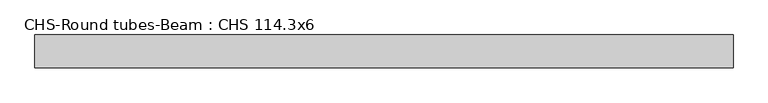
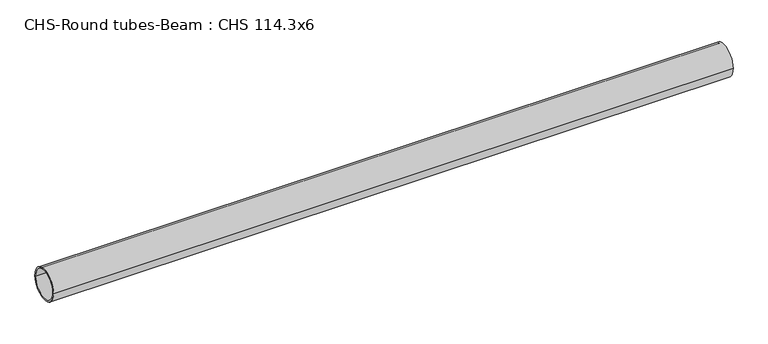
"""IFC4 building model written with IfcOpenShell, lengths in millimetres: beam geometry, CHS-Round tubes-Beam : CHS 114.3x6."""

import ifcopenshell
import ifcopenshell.guid

model = None  # the IFC model being written
_history = None  # IfcOwnerHistory: only IFC2X3 demands one
_inside = {}  # id of a spatial element -> (the spatial element, [elements in it])
_under = {}  # id of a project, library or spatial element -> (it, [spatial elements below it])
_declared = {}  # id of a project -> (the project, [libraries it declares])
_typed = {}  # id of a type object -> (the type object, [elements of that type])
_made_of = {}  # id of a material, layer set ... -> (it, [elements and type objects made of it])


def new_model(schema):
    """Start an empty IFC model of exactly this schema.

    Asked for "IFC4X3", IfcOpenShell would pick the latest addendum, in which some entities
    have other attributes; the version numbers below select the first issue.
    IFC2X3 requires an IfcOwnerHistory on every rooted entity: one is made here for all.
    """
    global model, _history
    if schema == "IFC4X3":
        model = ifcopenshell.file(schema_version=(4, 3, 0, 0))
    else:
        model = ifcopenshell.file(schema=schema)
    _inside.clear()
    _under.clear()
    _declared.clear()
    _typed.clear()
    _made_of.clear()
    _history = None
    if model.schema == "IFC2X3":
        org = make("IfcOrganization", Name="unknown")
        user = make(
            "IfcPersonAndOrganization",
            ThePerson=make("IfcPerson", FamilyName="unknown"),
            TheOrganization=org,
        )
        app = make(
            "IfcApplication",
            ApplicationDeveloper=org,
            Version="unknown",
            ApplicationFullName="unknown",
            ApplicationIdentifier="unknown",
        )
        _history = make(
            "IfcOwnerHistory",
            OwningUser=user,
            OwningApplication=app,
            ChangeAction="ADDED",
            CreationDate=0,
        )
    return model


def make(cls, **values):
    """One entity of the class cls with the attributes given. An attribute that is None is left unset."""
    return model.create_entity(
        cls, **{name: value for name, value in values.items() if value is not None}
    )


def rooted(cls, **values):
    """An entity with a GlobalId (a new one), such as an element, a storey or a relation."""
    return make(cls, GlobalId=ifcopenshell.guid.new(), OwnerHistory=_history, **values)


def si_unit(unit_type, name, prefix=None):
    """IfcSIUnit, for example si_unit("LENGTHUNIT", "METRE", prefix="MILLI")."""
    return make("IfcSIUnit", UnitType=unit_type, Prefix=prefix, Name=name)


def assignment(units):
    """IfcUnitAssignment: the units of a project."""
    return None if units is None else make("IfcUnitAssignment", Units=units)


def point(xyz):
    """IfcCartesianPoint."""
    return None if xyz is None else make("IfcCartesianPoint", Coordinates=xyz)


def direction(xyz):
    """IfcDirection."""
    return None if xyz is None else make("IfcDirection", DirectionRatios=xyz)


def frame(location, z_axis=None, x_axis=None):
    """IfcAxis2Placement3D, a coordinate frame: its origin and axes. An axis left out is left unset."""
    return make(
        "IfcAxis2Placement3D",
        Location=point(location),
        Axis=direction(z_axis),
        RefDirection=direction(x_axis),
    )


def frame_2d(location, x_axis=None):
    """IfcAxis2Placement2D, a coordinate frame in the plane: its origin and x axis."""
    return make(
        "IfcAxis2Placement2D", Location=point(location), RefDirection=direction(x_axis)
    )


def origin():
    """The frame at (0, 0, 0) with its axes left unset."""
    return frame((0.0, 0.0, 0.0))


def origin_2d():
    """The frame at (0, 0) in the plane with its x axis left unset."""
    return frame_2d((0.0, 0.0))


def place(relative_to, where):
    """IfcLocalPlacement: puts the frame where relative to a parent placement (None: the world)."""
    return make(
        "IfcLocalPlacement", PlacementRelTo=relative_to, RelativePlacement=where
    )


def context(
    kind, dimensions, precision=None, world=None, true_north=None, identifier=None
):
    """IfcGeometricRepresentationContext, for example the 3D "Model" context."""
    return make(
        "IfcGeometricRepresentationContext",
        ContextIdentifier=identifier,
        ContextType=kind,
        CoordinateSpaceDimension=dimensions,
        Precision=precision,
        WorldCoordinateSystem=world,
        TrueNorth=true_north,
    )


def project(units=None, contexts=None):
    """IfcProject with its units and contexts."""
    return rooted(
        "IfcProject",
        Name="project",
        RepresentationContexts=contexts,
        UnitsInContext=assignment(units),
    )


def spatial(cls, under=None, at=None, **own):
    """A site, building, storey or space (cls), placed at a placement, below another one or the project."""
    s = rooted(cls, ObjectPlacement=at, **own)
    if under is not None:
        _under.setdefault(under.id(), (under, []))[1].append(s)
    return s


def circle_curve(where, radius):
    """IfcCircle in the frame where."""
    return make("IfcCircle", Position=where, Radius=radius)


def trimmed(basis, trim1, trim2, sense, master):
    """IfcTrimmedCurve: the piece of a basis curve between two trims."""
    return make(
        "IfcTrimmedCurve",
        BasisCurve=basis,
        Trim1=trim1,
        Trim2=trim2,
        SenseAgreement=sense,
        MasterRepresentation=master,
    )


def segment(curve, same_sense, transition):
    """IfcCompositeCurveSegment."""
    return make(
        "IfcCompositeCurveSegment",
        Transition=transition,
        SameSense=same_sense,
        ParentCurve=curve,
    )


def composite_curve(segments, self_intersect=None):
    """IfcCompositeCurve: segments joined end to end."""
    return make("IfcCompositeCurve", Segments=segments, SelfIntersect=self_intersect)


def outline(outer, holes=None, kind="AREA"):
    """IfcArbitraryClosedProfileDef: a profile drawn as a closed curve; with holes, ...WithVoids."""
    if holes is None:
        return make("IfcArbitraryClosedProfileDef", ProfileType=kind, OuterCurve=outer)
    return make(
        "IfcArbitraryProfileDefWithVoids",
        ProfileType=kind,
        OuterCurve=outer,
        InnerCurves=holes,
    )


def extrude(swept, where, along, depth):
    """IfcExtrudedAreaSolid: the profile swept, set in the frame where, extruded along a direction by depth."""
    return make(
        "IfcExtrudedAreaSolid",
        SweptArea=swept,
        Position=where,
        ExtrudedDirection=direction(along),
        Depth=depth,
    )


def shape(context_of_items, identifier, shape_type, items):
    """IfcShapeRepresentation: the items that make up one representation, for example the "Body"."""
    return make(
        "IfcShapeRepresentation",
        ContextOfItems=context_of_items,
        RepresentationIdentifier=identifier,
        RepresentationType=shape_type,
        Items=items,
    )


def source(mapping_origin, context_of_items, identifier, shape_type, items):
    """IfcRepresentationMap: a shape defined once, which mapped items show again and again."""
    return make(
        "IfcRepresentationMap",
        MappingOrigin=mapping_origin,
        MappedRepresentation=shape(context_of_items, identifier, shape_type, items),
    )


def transform(
    local_origin,
    x_axis=None,
    y_axis=None,
    z_axis=None,
    scale=None,
    scale2=None,
    scale3=None,
    uniform=True,
):
    """IfcCartesianTransformationOperator3D, or its non-uniform kind. x_axis, y_axis, z_axis: its Axis1, 2, 3."""
    if uniform:
        return make(
            "IfcCartesianTransformationOperator3D",
            Axis1=direction(x_axis),
            Axis2=direction(y_axis),
            LocalOrigin=point(local_origin),
            Scale=scale,
            Axis3=direction(z_axis),
        )
    return make(
        "IfcCartesianTransformationOperator3DnonUniform",
        Axis1=direction(x_axis),
        Axis2=direction(y_axis),
        LocalOrigin=point(local_origin),
        Scale=scale,
        Axis3=direction(z_axis),
        Scale2=scale2,
        Scale3=scale3,
    )


def mapped(mapping_source, mapping_target):
    """IfcMappedItem: shows the shape of a source again, moved by a transform."""
    return make(
        "IfcMappedItem", MappingSource=mapping_source, MappingTarget=mapping_target
    )


def made_of(thing, what):
    """Note that an element or type object is made of a material, layer set ...; save() writes the relation."""
    if what is not None:
        _made_of.setdefault(what.id(), (what, []))[1].append(thing)
    return thing


def element(
    cls,
    number,
    at=None,
    inside=None,
    cuts=None,
    type_object=None,
    material=None,
    context=None,
    identifier="Body",
    shape_type=None,
    held_by="IfcProductDefinitionShape",
    body=None,
    shapes=None,
    **own,
):
    """One element of the class cls, such as IfcWall. Its Tag is "e" and its number.

    at: its placement. inside: the storey or other place that contains it. cuts: it is an
    opening in that element (IfcRelVoidsElement). A single representation is given by context,
    identifier, shape_type and body (its items); several are given by shapes. held_by: the class
    of the entity that holds the representations. save() writes the other relations.
    """
    e = rooted(cls, Tag="e%d" % number, ObjectPlacement=at, **own)
    if body is not None:
        shapes = [shape(context, identifier, shape_type, body)]
    if shapes is not None:
        e.Representation = make(held_by, Representations=shapes)
    if inside is not None:
        _inside.setdefault(inside.id(), (inside, []))[1].append(e)
    if cuts is not None:
        rooted(
            "IfcRelVoidsElement", RelatingBuildingElement=cuts, RelatedOpeningElement=e
        )
    if type_object is not None:
        _typed.setdefault(type_object.id(), (type_object, []))[1].append(e)
    return made_of(e, material)


def aggregate(whole, parts):
    """IfcRelAggregates: a whole, such as a stair, and the parts it consists of."""
    return rooted("IfcRelAggregates", RelatingObject=whole, RelatedObjects=parts)


def save(model, path):
    """Write the relations noted so far, then the file.

    IfcRelAggregates (storeys below a building ...), IfcRelContainedInSpatialStructure (elements
    in a storey), IfcRelDefinesByType, IfcRelAssociatesMaterial and IfcRelDeclares: one each for
    every whole, place, type object, material and project.
    """
    for whole, parts in _under.values():
        aggregate(whole, parts)
    for where, things in _inside.values():
        rooted(
            "IfcRelContainedInSpatialStructure",
            RelatedElements=things,
            RelatingStructure=where,
        )
    for kind, things in _typed.values():
        rooted("IfcRelDefinesByType", RelatedObjects=things, RelatingType=kind)
    for what, things in _made_of.values():
        rooted("IfcRelAssociatesMaterial", RelatedObjects=things, RelatingMaterial=what)
    for by, libraries in _declared.values():
        rooted("IfcRelDeclares", RelatingContext=by, RelatedDefinitions=libraries)
    model.write(path)


def chs_round_tubes_beam_chs_114_3x6_14d98b06(model_context):
    return source(origin(), model_context, "Body", "SweptSolid", [
        extrude(outline(composite_curve([segment(trimmed(circle_curve(origin_2d(), 57.15), [point((57.15, 0.0))], [point((-57.15, 0.0))], False, "CARTESIAN"), True, "CONTINUOUS"), segment(trimmed(circle_curve(origin_2d(), 57.15), [point((-57.15, 0.0))], [point((57.15, 0.0))], False, "CARTESIAN"), True, "CONTINUOUS")], self_intersect=False), holes=[composite_curve([segment(trimmed(circle_curve(origin_2d(), 51.15), [point((51.15, 0.0))], [point((-51.15, 0.0))], True, "CARTESIAN"), True, "CONTINUOUS"), segment(trimmed(circle_curve(origin_2d(), 51.15), [point((-51.15, 0.0))], [point((51.15, 0.0))], True, "CARTESIAN"), True, "CONTINUOUS")], self_intersect=False)]), frame((-1161.7682168, 0.0, 0.0), z_axis=(1.0, 0.0, 0.0), x_axis=(0.0, 1.0, 0.0)), (0.0, 0.0, 1.0), 2421.9985666),
    ])


if __name__ == "__main__":
    model = new_model("IFC4")
    model_context = context("Model", 3, world=origin())
    ifc_project = project(units=[si_unit("LENGTHUNIT", "METRE", prefix="MILLI")], contexts=[model_context])
    site = spatial("IfcSite", under=ifc_project)
    building = spatial("IfcBuilding", under=site)
    placement = place(None, origin())
    chs_round_tubes_beam_chs_114_3x6_shape = chs_round_tubes_beam_chs_114_3x6_14d98b06(model_context)
    element("IfcBeam", 1, ObjectType="CHS-Round tubes-Beam : CHS 114.3x6", at=placement, inside=building, context=model_context, shape_type="MappedRepresentation", body=[
        mapped(chs_round_tubes_beam_chs_114_3x6_shape, transform((0.0, 0.0, 0.0), x_axis=(1.0, 0.0, 0.0), y_axis=(0.0, 1.0, 0.0), z_axis=(0.0, 0.0, 1.0))),
    ])
    save(model, "model.ifc")
